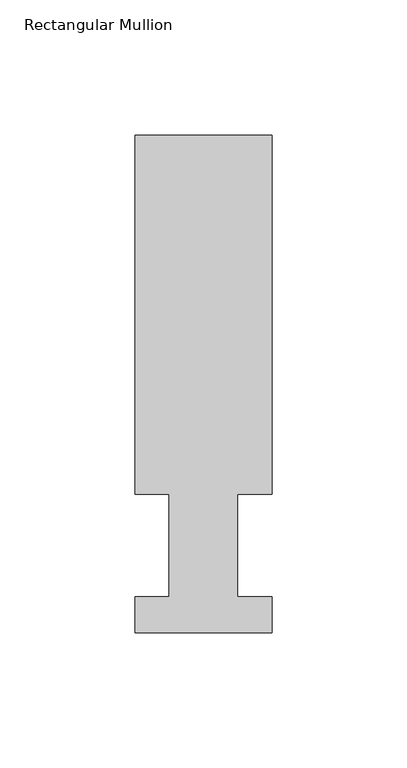
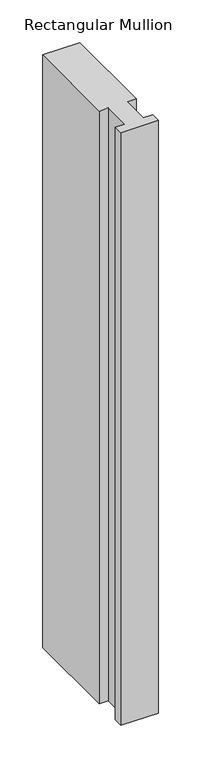
"""IFC4 building model written with IfcOpenShell, lengths in millimetres: member geometry, Rectangular Mullion."""

from ifc_helpers import new_model, si_unit, frame, origin, place, context, project, spatial, polyline, outline, extrude, source, transform, mapped, element, save


def rectangular_mullion_3f01f981(model_context):
    return source(origin(), model_context, "Body", "SweptSolid", [
        extrude(outline(polyline([(25.4, 184.2396938), (25.4, 51.2960937), (12.7, 51.2960937), (12.7, 13.1960938), (25.4, 13.1960938), (25.4, 0.0134937), (-25.4, 0.0134937), (-25.4, 13.1960938), (-12.7, 13.1960938), (-12.7, 51.2960937), (-25.4, 51.2960937), (-25.4, 184.2396938), (25.4, 184.2396938)])), frame((0.0, 0.0, -850.9), z_axis=(0.0, 0.0, 1.0), x_axis=(1.0, 0.0, 0.0)), (0.0, 0.0, 1.0), 850.9),
    ])


if __name__ == "__main__":
    model = new_model("IFC4")
    model_context = context("Model", 3, world=origin())
    ifc_project = project(units=[si_unit("LENGTHUNIT", "METRE", prefix="MILLI")], contexts=[model_context])
    site = spatial("IfcSite", under=ifc_project)
    building = spatial("IfcBuilding", under=site)
    placement = place(None, origin())
    rectangular_mullion_shape = rectangular_mullion_3f01f981(model_context)
    element("IfcMember", 1, ObjectType="Rectangular Mullion", at=placement, inside=building, context=model_context, shape_type="MappedRepresentation", body=[
        mapped(rectangular_mullion_shape, transform((0.0, 0.0, 0.0), x_axis=(1.0, 0.0, 0.0), y_axis=(0.0, 1.0, 0.0), z_axis=(0.0, 0.0, 1.0))),
    ])
    save(model, "model.ifc")
